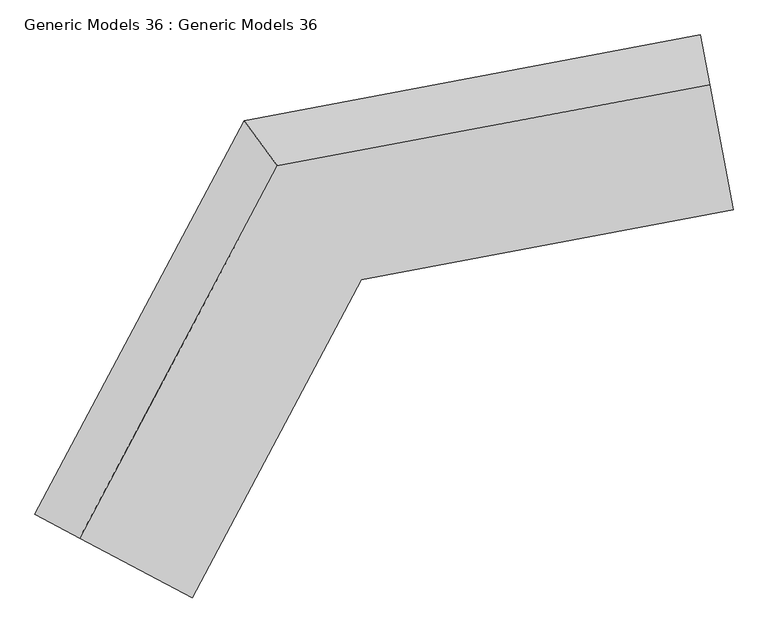
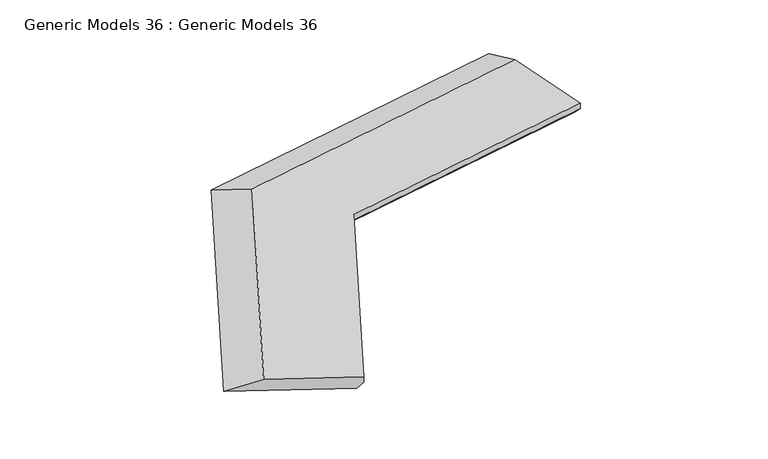
"""IFC4 building model written with IfcOpenShell, lengths in millimetres: proxy geometry, Generic Models 36 : Generic Models 36."""

from ifc_helpers import new_model, si_unit, origin, place, context, project, spatial, faceted_brep, source, transform, mapped, element, save


def generic_models_36_generic_models_36_668a140f(model_context):
    return source(origin(), model_context, "Body", "Brep", [
        faceted_brep([(-172950.1277951, -49450.3410642, 4680.0), (-172762.810246, -49549.9007739, 4892.1320344), (-172762.810246, -49549.9007739, 5092.1320344), (-175422.5933001, -48136.2199409, 5092.1320344), (-176479.5001933, -47574.4714874, 4680.0), (-160003.8257494, -40161.9677251, 4680.0), (-160741.6078274, -36233.7322688, 4680.0), (-160520.67139, -37410.0828103, 5092.1320344), (-159964.668779, -40370.4544912, 5092.1320344), (-159964.668779, -40370.4544912, 4892.1320344), (-168901.5432661, -41833.0937539, 4680.0), (-168762.1107777, -42022.74726, 4892.1320344), (-168762.1107777, -42022.74726, 5092.1320344), (-170741.9582161, -39329.7951895, 5092.1320344), (-171528.6819309, -38259.7080627, 4680.0)], [[[0, 1, 2, 3, 4]], [[5, 6, 7, 8, 9]], [[1, 0, 10, 11]], [[2, 1, 11, 12]], [[3, 2, 12, 8, 7, 13]], [[0, 4, 14, 6, 5, 10]], [[11, 10, 5, 9]], [[12, 11, 9, 8]], [[4, 3, 13, 14]], [[14, 13, 7, 6]]]),
    ])


if __name__ == "__main__":
    model = new_model("IFC4")
    model_context = context("Model", 3, world=origin())
    ifc_project = project(units=[si_unit("LENGTHUNIT", "METRE", prefix="MILLI")], contexts=[model_context])
    site = spatial("IfcSite", under=ifc_project)
    building = spatial("IfcBuilding", under=site)
    placement = place(None, origin())
    generic_models_36_generic_models_36_shape = generic_models_36_generic_models_36_668a140f(model_context)
    element("IfcBuildingElementProxy", 1, Name="Generic Models 36 : Generic Models 36", ObjectType="Generic Models 36 : Generic Models 36", at=placement, inside=building, context=model_context, shape_type="MappedRepresentation", body=[
        mapped(generic_models_36_generic_models_36_shape, transform((0.0, 0.0, 0.0), x_axis=(1.0, 0.0, 0.0), y_axis=(0.0, 1.0, 0.0), z_axis=(0.0, 0.0, 1.0))),
    ])
    save(model, "model.ifc")
